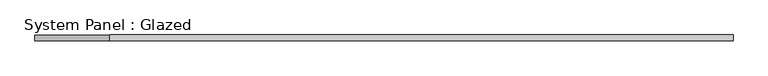
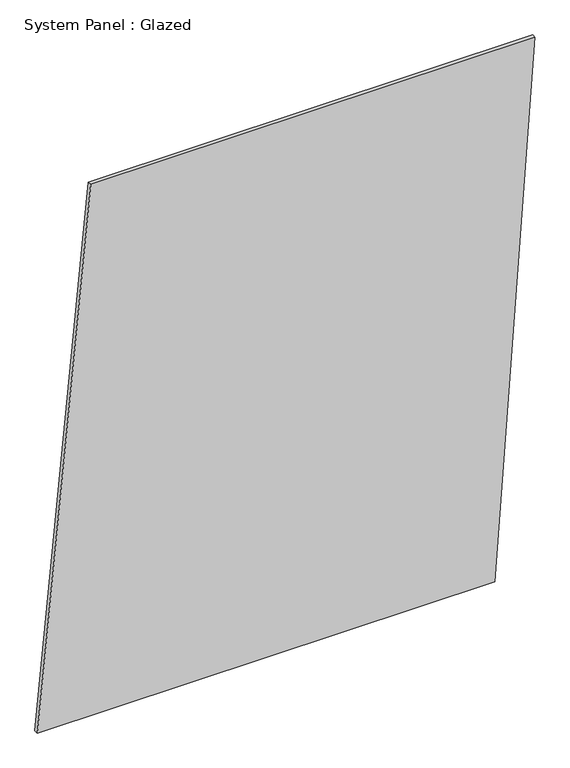
"""IFC4 building model written with IfcOpenShell, lengths in millimetres: plate geometry, System Panel : Glazed."""

from ifc_helpers import new_model, si_unit, frame, origin, place, context, project, spatial, polyline, outline, extrude, source, transform, mapped, element, save


def system_panel_glazed_5c8b2eb2(model_context):
    return source(origin(), model_context, "Body", "SweptSolid", [
        extrude(outline(polyline([(0.0, -1481.244122), (0.0, 1242.8470816), (3342.1587785, 1481.244122), (3342.1587785, -1163.3814014), (0.0, -1481.244122)])), frame((0.0, -49.5, 0.0), z_axis=(0.0, 1.0, 0.0), x_axis=(0.0, 0.0, 1.0)), (0.0, 0.0, 1.0), 25.0),
    ])


if __name__ == "__main__":
    model = new_model("IFC4")
    model_context = context("Model", 3, world=origin())
    ifc_project = project(units=[si_unit("LENGTHUNIT", "METRE", prefix="MILLI")], contexts=[model_context])
    site = spatial("IfcSite", under=ifc_project)
    building = spatial("IfcBuilding", under=site)
    placement = place(None, origin())
    system_panel_glazed_shape = system_panel_glazed_5c8b2eb2(model_context)
    element("IfcPlate", 1, ObjectType="System Panel : Glazed", at=placement, inside=building, context=model_context, shape_type="MappedRepresentation", body=[
        mapped(system_panel_glazed_shape, transform((0.0, 0.0, 0.0), x_axis=(1.0, 0.0, 0.0), y_axis=(0.0, 1.0, 0.0), z_axis=(0.0, 0.0, 1.0))),
    ])
    save(model, "model.ifc")
